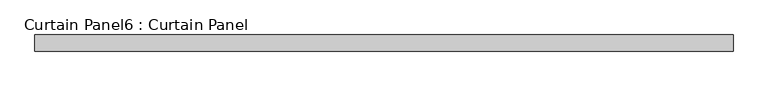
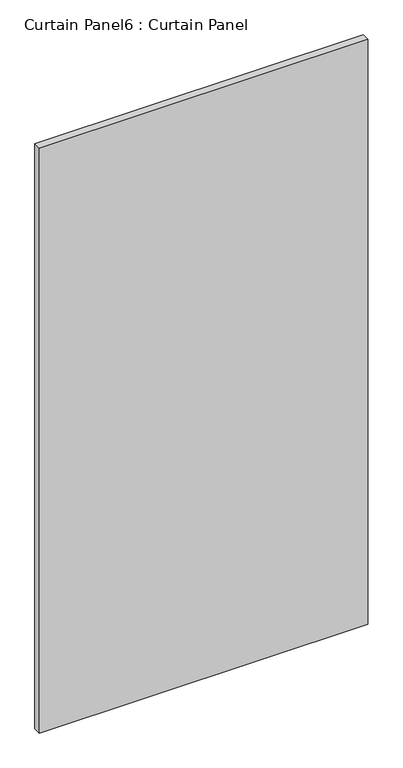
"""IFC4 building model written with IfcOpenShell, lengths in millimetres: plate geometry, Curtain Panel6 : Curtain Panel."""

from ifc_helpers import new_model, si_unit, frame, origin, place, context, project, spatial, polyline, outline, extrude, source, transform, mapped, element, save


def curtain_panel6_curtain_panel_8896ccab(model_context):
    return source(origin(), model_context, "Body", "SweptSolid", [
        extrude(outline(polyline([(-291035.1774652, -494.5574136), (-292111.5024652, -494.5574136), (-292111.5024652, -469.1574136), (-291035.1774652, -469.1574136), (-291035.1774652, -494.5574136)])), frame((0.0, 0.0, -3576.637373), z_axis=(0.0, 0.0, 1.0), x_axis=(1.0, 0.0, 0.0)), (0.0, 0.0, 1.0), 2025.6236964),
    ])


if __name__ == "__main__":
    model = new_model("IFC4")
    model_context = context("Model", 3, world=origin())
    ifc_project = project(units=[si_unit("LENGTHUNIT", "METRE", prefix="MILLI")], contexts=[model_context])
    site = spatial("IfcSite", under=ifc_project)
    building = spatial("IfcBuilding", under=site)
    placement = place(None, origin())
    curtain_panel6_curtain_panel_shape = curtain_panel6_curtain_panel_8896ccab(model_context)
    element("IfcPlate", 1, ObjectType="Curtain Panel6 : Curtain Panel", at=placement, inside=building, context=model_context, shape_type="MappedRepresentation", body=[
        mapped(curtain_panel6_curtain_panel_shape, transform((0.0, 0.0, 0.0), x_axis=(1.0, 0.0, 0.0), y_axis=(0.0, 1.0, 0.0), z_axis=(0.0, 0.0, 1.0))),
    ])
    save(model, "model.ifc")
